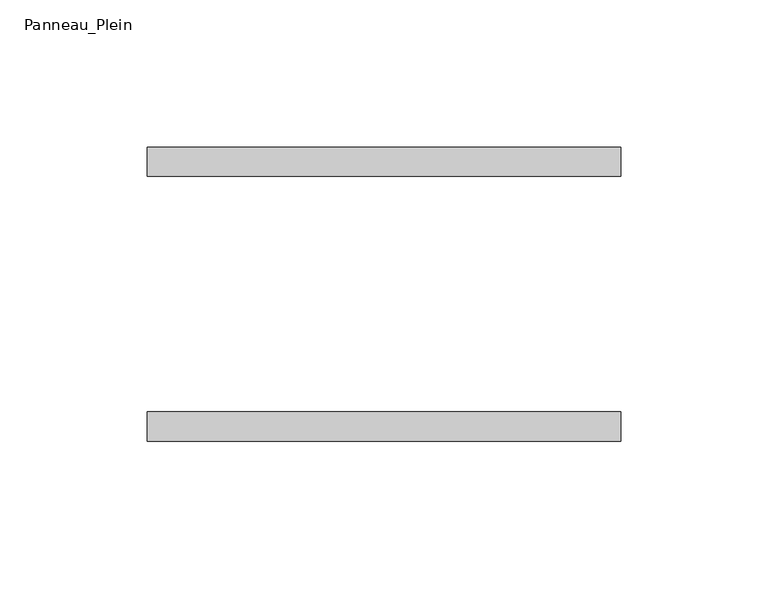
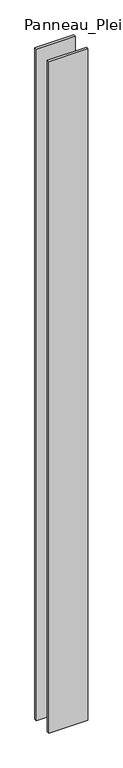
"""IFC4 building model written with IfcOpenShell, lengths in millimetres: plate geometry, Panneau_Plein."""

from ifc_helpers import new_model, si_unit, origin, origin_with_axes, place, context, project, spatial, polyline, outline, extrude, source, transform, mapped, element, save


def panneau_plein_d405dfce(model_context):
    return source(origin(), model_context, "Body", "SweptSolid", [
        extrude(outline(polyline([(80.5948296, 50.0), (80.5948296, 40.0), (-80.5948296, 40.0), (-80.5948296, 50.0), (80.5948296, 50.0)])), origin_with_axes(), (0.0, 0.0, 1.0), 2930.3804804),
        extrude(outline(polyline([(80.5948296, -40.0), (80.5948296, -50.0), (-80.5948296, -50.0), (-80.5948296, -40.0), (80.5948296, -40.0)])), origin_with_axes(), (0.0, 0.0, 1.0), 2930.3804804),
    ])


if __name__ == "__main__":
    model = new_model("IFC4")
    model_context = context("Model", 3, world=origin())
    ifc_project = project(units=[si_unit("LENGTHUNIT", "METRE", prefix="MILLI")], contexts=[model_context])
    site = spatial("IfcSite", under=ifc_project)
    building = spatial("IfcBuilding", under=site)
    placement = place(None, origin())
    panneau_plein_shape = panneau_plein_d405dfce(model_context)
    element("IfcPlate", 1, ObjectType="Panneau_Plein", at=placement, inside=building, context=model_context, shape_type="MappedRepresentation", body=[
        mapped(panneau_plein_shape, transform((0.0, 0.0, 0.0), x_axis=(1.0, 0.0, 0.0), y_axis=(0.0, 1.0, 0.0), z_axis=(0.0, 0.0, 1.0))),
    ])
    save(model, "model.ifc")
